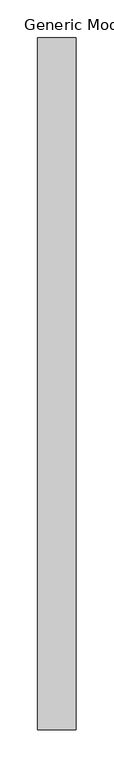
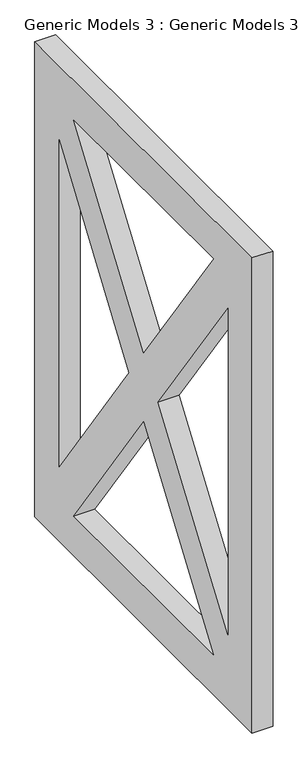
"""IFC4 building model written with IfcOpenShell, lengths in millimetres: proxy geometry, Generic Models 3 : Generic Models 3."""

from ifc_helpers import new_model, si_unit, frame, origin, place, context, project, spatial, polyline, outline, extrude, source, transform, mapped, element, save


def generic_models_3_generic_models_3_eb41f417(model_context):
    return source(origin(), model_context, "Body", "SweptSolid", [
        extrude(outline(polyline([(-757.8080767, 6705.6), (-757.8080767, 7924.8), (156.5919233, 7924.8), (156.5919233, 6705.6), (-757.8080767, 6705.6)]), holes=[polyline([(-594.1987742, 7823.2), (-300.6080767, 7403.7847179), (-7.0173793, 7823.2), (-594.1987742, 7823.2)]), polyline([(54.9919233, 7734.6152821), (-238.5987742, 7315.2), (54.9919233, 6895.7847179), (54.9919233, 7734.6152821)]), polyline([(-7.0173793, 6807.2), (-300.6080767, 7226.6152821), (-594.1987742, 6807.2), (-7.0173793, 6807.2)]), polyline([(-656.2080767, 6895.7847179), (-362.6173793, 7315.2), (-656.2080767, 7734.6152821), (-656.2080767, 6895.7847179)])]), frame((-9213.5262394, 0.0, 0.0), z_axis=(1.0, 0.0, 0.0), x_axis=(0.0, 1.0, 0.0)), (0.0, 0.0, 1.0), 50.8),
    ])


if __name__ == "__main__":
    model = new_model("IFC4")
    model_context = context("Model", 3, world=origin())
    ifc_project = project(units=[si_unit("LENGTHUNIT", "METRE", prefix="MILLI")], contexts=[model_context])
    site = spatial("IfcSite", under=ifc_project)
    building = spatial("IfcBuilding", under=site)
    placement = place(None, origin())
    generic_models_3_generic_models_3_shape = generic_models_3_generic_models_3_eb41f417(model_context)
    element("IfcBuildingElementProxy", 1, Name="Generic Models 3 : Generic Models 3", ObjectType="Generic Models 3 : Generic Models 3", at=placement, inside=building, context=model_context, shape_type="MappedRepresentation", body=[
        mapped(generic_models_3_generic_models_3_shape, transform((0.0, 0.0, 0.0), x_axis=(1.0, 0.0, 0.0), y_axis=(0.0, 1.0, 0.0), z_axis=(0.0, 0.0, 1.0))),
    ])
    save(model, "model.ifc")
